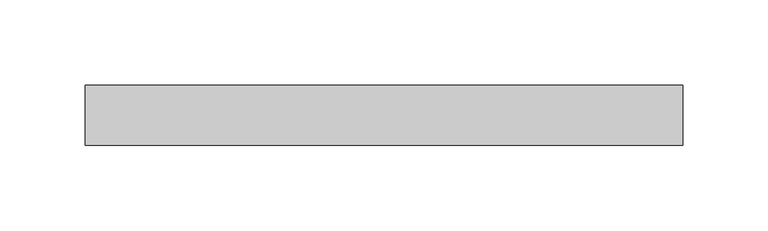
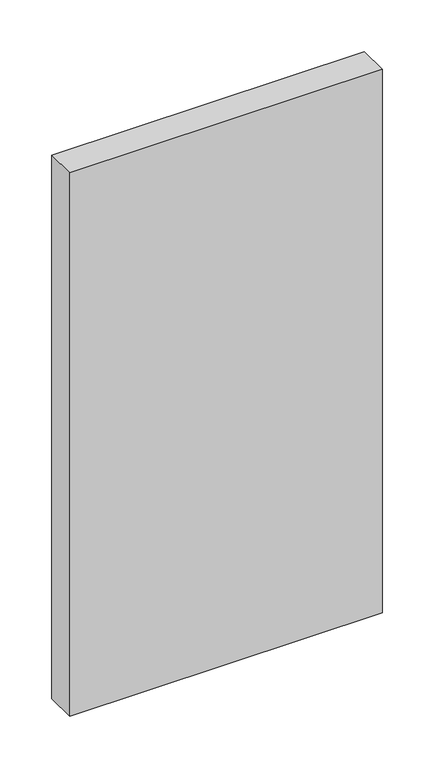
"""IFC4 building model written with IfcOpenShell, lengths in millimetres: plate geometry."""

from ifc_helpers import new_model, si_unit, origin, origin_with_axes, place, context, project, spatial, polyline, outline, extrude, source, transform, mapped, element, save


def plate_8136c461(model_context):
    return source(origin(), model_context, "Body", "SweptSolid", [
        extrude(outline(polyline([(175.0625, -17.5), (-175.0625, -17.5), (-175.0625, 17.5), (175.0625, 17.5), (175.0625, -17.5)])), origin_with_axes(), (0.0, 0.0, 1.0), 643.8125),
    ])


if __name__ == "__main__":
    model = new_model("IFC4")
    model_context = context("Model", 3, world=origin())
    ifc_project = project(units=[si_unit("LENGTHUNIT", "METRE", prefix="MILLI")], contexts=[model_context])
    site = spatial("IfcSite", under=ifc_project)
    building = spatial("IfcBuilding", under=site)
    placement = place(None, origin())
    plate_shape = plate_8136c461(model_context)
    element("IfcPlate", 1, at=placement, inside=building, context=model_context, shape_type="MappedRepresentation", body=[
        mapped(plate_shape, transform((0.0, 0.0, 0.0), x_axis=(1.0, 0.0, 0.0), y_axis=(0.0, 1.0, 0.0), z_axis=(0.0, 0.0, 1.0))),
    ])
    save(model, "model.ifc")
